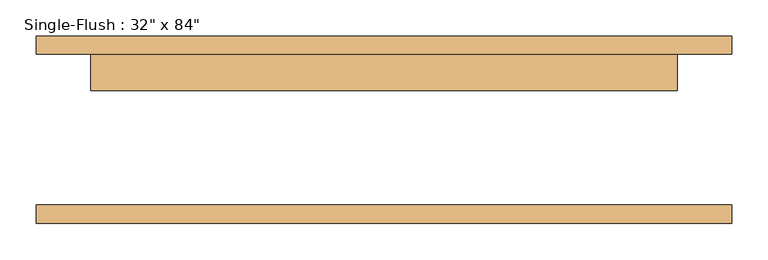
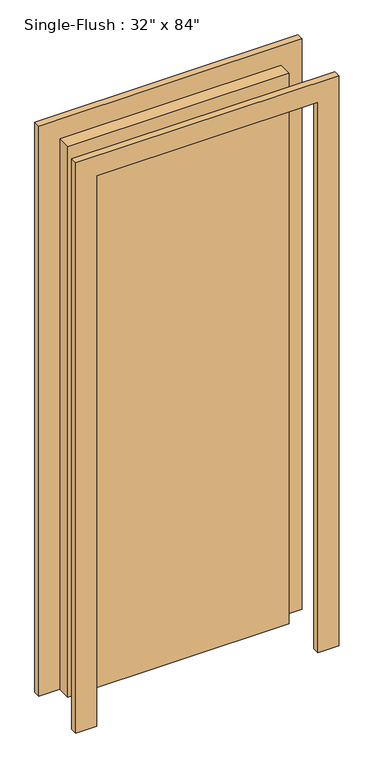
"""IFC4 building model written with IfcOpenShell, lengths in millimetres: door geometry."""

from ifc_helpers import new_model, si_unit, frame, origin, origin_with_axes, place, context, project, spatial, polyline, outline, extrude, source, transform, mapped, element, save


def door_68a55c97(model_context):
    return source(origin(), model_context, "Body", "SweptSolid", [
        extrude(outline(polyline([(2209.8, -482.6), (0.0, -482.6), (0.0, -406.4), (2133.6, -406.4), (2133.6, 406.4), (0.0, 406.4), (0.0, 482.6), (2209.8, 482.6), (2209.8, -482.6)])), frame((0.0, 104.775, 0.0), z_axis=(0.0, 1.0, 0.0), x_axis=(0.0, 0.0, 1.0)), (0.0, 0.0, 1.0), 25.4),
        extrude(outline(polyline([(2209.8, 482.6), (2209.8, -482.6), (0.0, -482.6), (0.0, -406.4), (2133.6, -406.4), (2133.6, 406.4), (0.0, 406.4), (0.0, 482.6), (2209.8, 482.6)])), frame((0.0, -130.175, 0.0), z_axis=(0.0, 1.0, 0.0), x_axis=(0.0, 0.0, 1.0)), (0.0, 0.0, 1.0), 25.4),
        extrude(outline(polyline([(406.4, 53.975), (-406.4, 53.975), (-406.4, 104.775), (406.4, 104.775), (406.4, 53.975)])), origin_with_axes(), (0.0, 0.0, 1.0), 2133.6),
    ])


if __name__ == "__main__":
    model = new_model("IFC4")
    model_context = context("Model", 3, world=origin())
    ifc_project = project(units=[si_unit("LENGTHUNIT", "METRE", prefix="MILLI")], contexts=[model_context])
    site = spatial("IfcSite", under=ifc_project)
    building = spatial("IfcBuilding", under=site)
    placement = place(None, origin())
    door_shape = door_68a55c97(model_context)
    element("IfcDoor", 1, ObjectType="Single-Flush : 32\" x 84\"", at=placement, inside=building, context=model_context, shape_type="MappedRepresentation", body=[
        mapped(door_shape, transform((0.0, 0.0, 0.0), x_axis=(1.0, 0.0, 0.0), y_axis=(0.0, 1.0, 0.0), z_axis=(0.0, 0.0, 1.0))),
    ])
    save(model, "model.ifc")
